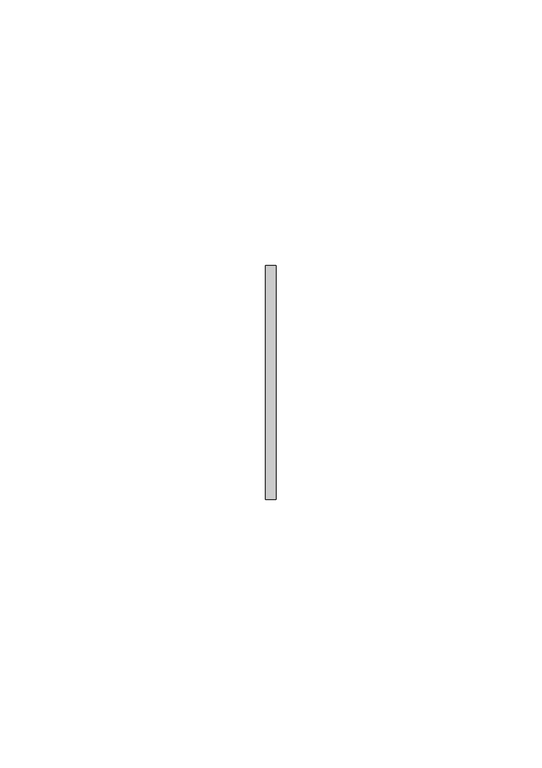
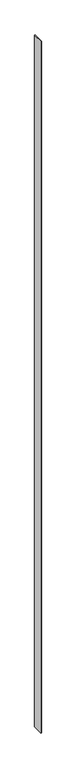
"""IFC4 building model written with IfcOpenShell, lengths in millimetres: member geometry."""

from ifc_helpers import new_model, si_unit, frame, origin, place, context, project, spatial, polyline, outline, extrude, source, transform, mapped, element, save


def member_4a7d45f5(model_context):
    return source(origin(), model_context, "Body", "SweptSolid", [
        extrude(outline(polyline([(1.0, 22.0), (1.0, -22.0), (-1.0, -22.0), (-1.0, 22.0), (1.0, 22.0)])), frame((0.0, 0.0, -3000.0), z_axis=(0.0, 0.0, 1.0), x_axis=(1.0, 0.0, 0.0)), (0.0, 0.0, 1.0), 3000.0),
    ])


if __name__ == "__main__":
    model = new_model("IFC4")
    model_context = context("Model", 3, world=origin())
    ifc_project = project(units=[si_unit("LENGTHUNIT", "METRE", prefix="MILLI")], contexts=[model_context])
    site = spatial("IfcSite", under=ifc_project)
    building = spatial("IfcBuilding", under=site)
    placement = place(None, origin())
    member_shape = member_4a7d45f5(model_context)
    element("IfcMember", 1, at=placement, inside=building, context=model_context, shape_type="MappedRepresentation", body=[
        mapped(member_shape, transform((0.0, 0.0, 0.0), x_axis=(1.0, 0.0, 0.0), y_axis=(0.0, 1.0, 0.0), z_axis=(0.0, 0.0, 1.0))),
    ])
    save(model, "model.ifc")
